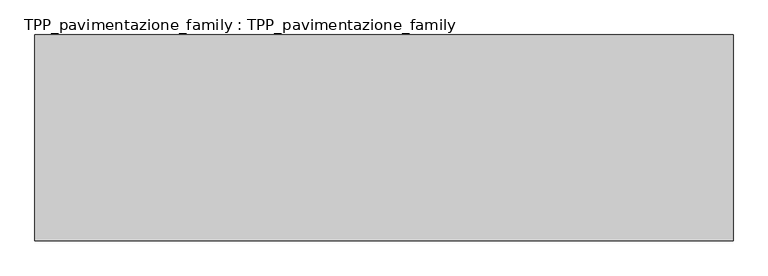
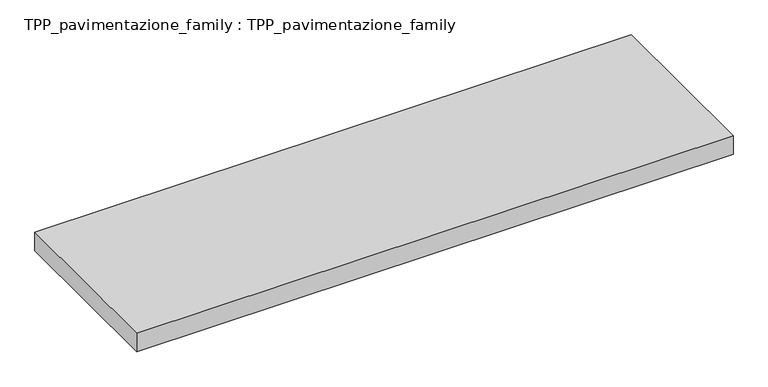
"""IFC4 building model written with IfcOpenShell, lengths in millimetres: proxy geometry, TPP_pavimentazione_family : TPP_pavimentazione_family."""

from ifc_helpers import new_model, si_unit, origin, origin_with_axes, place, context, project, spatial, polyline, outline, extrude, source, transform, mapped, element, save


def tpp_pavimentazione_family_tpp_pavimentazione_family_0b77cb59(model_context):
    return source(origin(), model_context, "Body", "SweptSolid", [
        extrude(outline(polyline([(511.8146187, 354.2201026), (511.8146187, -104.3090907), (-1041.6506655, -104.3090907), (-1041.6506655, 354.2201026), (511.8146187, 354.2201026)])), origin_with_axes(), (0.0, 0.0, 1.0), 50.0),
    ])


if __name__ == "__main__":
    model = new_model("IFC4")
    model_context = context("Model", 3, world=origin())
    ifc_project = project(units=[si_unit("LENGTHUNIT", "METRE", prefix="MILLI")], contexts=[model_context])
    site = spatial("IfcSite", under=ifc_project)
    building = spatial("IfcBuilding", under=site)
    placement = place(None, origin())
    tpp_pavimentazione_family_tpp_pavimentazione_family_shape = tpp_pavimentazione_family_tpp_pavimentazione_family_0b77cb59(model_context)
    element("IfcBuildingElementProxy", 1, Name="TPP_pavimentazione_family : TPP_pavimentazione_family", ObjectType="TPP_pavimentazione_family : TPP_pavimentazione_family", at=placement, inside=building, context=model_context, shape_type="MappedRepresentation", body=[
        mapped(tpp_pavimentazione_family_tpp_pavimentazione_family_shape, transform((0.0, 0.0, 0.0), x_axis=(1.0, 0.0, 0.0), y_axis=(0.0, 1.0, 0.0), z_axis=(0.0, 0.0, 1.0))),
    ])
    save(model, "model.ifc")
